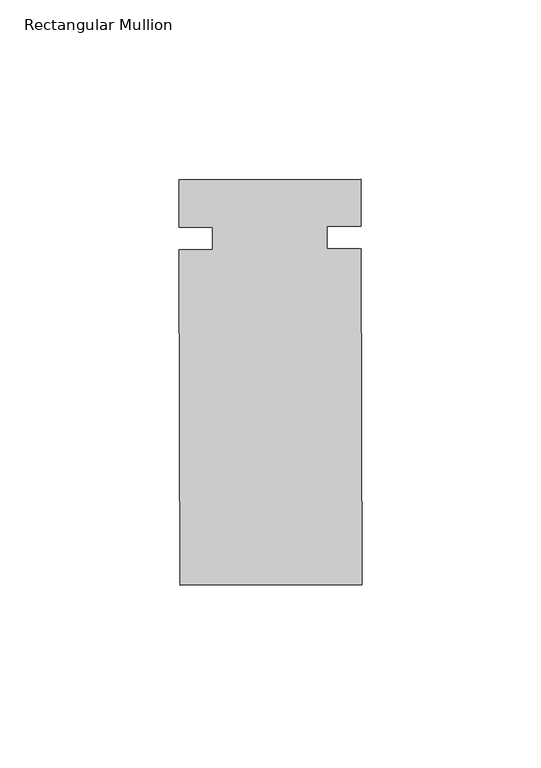
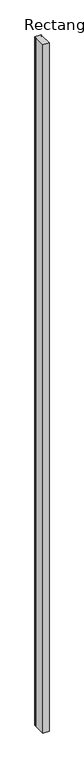
"""IFC4 building model written with IfcOpenShell, lengths in millimetres: member geometry, Rectangular Mullion."""

from ifc_helpers import new_model, si_unit, frame, origin, place, context, project, spatial, polyline, outline, extrude, source, transform, mapped, element, save


def rectangular_mullion_72c1881f(model_context):
    return source(origin(), model_context, "Body", "SweptSolid", [
        extrude(outline(polyline([(18.0392772, -56.7120958), (-32.7606003, -56.8236291), (-32.9658704, 36.670378), (-23.6313929, 36.6908722), (-23.6453345, 43.0408569), (-32.979812, 43.0203627), (-33.0088734, 56.2568983), (17.7910042, 56.3684316), (17.8196843, 43.3055284), (8.2947073, 43.2846159), (8.3086217, 36.9470335), (17.8335987, 36.967946), (18.0392772, -56.7120958)])), frame((0.0, 0.0, -6000.75), z_axis=(0.0, 0.0, 1.0), x_axis=(1.0, 0.0, 0.0)), (0.0, 0.0, 1.0), 6000.75),
    ])


if __name__ == "__main__":
    model = new_model("IFC4")
    model_context = context("Model", 3, world=origin())
    ifc_project = project(units=[si_unit("LENGTHUNIT", "METRE", prefix="MILLI")], contexts=[model_context])
    site = spatial("IfcSite", under=ifc_project)
    building = spatial("IfcBuilding", under=site)
    placement = place(None, origin())
    rectangular_mullion_shape = rectangular_mullion_72c1881f(model_context)
    element("IfcMember", 1, ObjectType="Rectangular Mullion", at=placement, inside=building, context=model_context, shape_type="MappedRepresentation", body=[
        mapped(rectangular_mullion_shape, transform((0.0, 0.0, 0.0), x_axis=(1.0, 0.0, 0.0), y_axis=(0.0, 1.0, 0.0), z_axis=(0.0, 0.0, 1.0))),
    ])
    save(model, "model.ifc")
